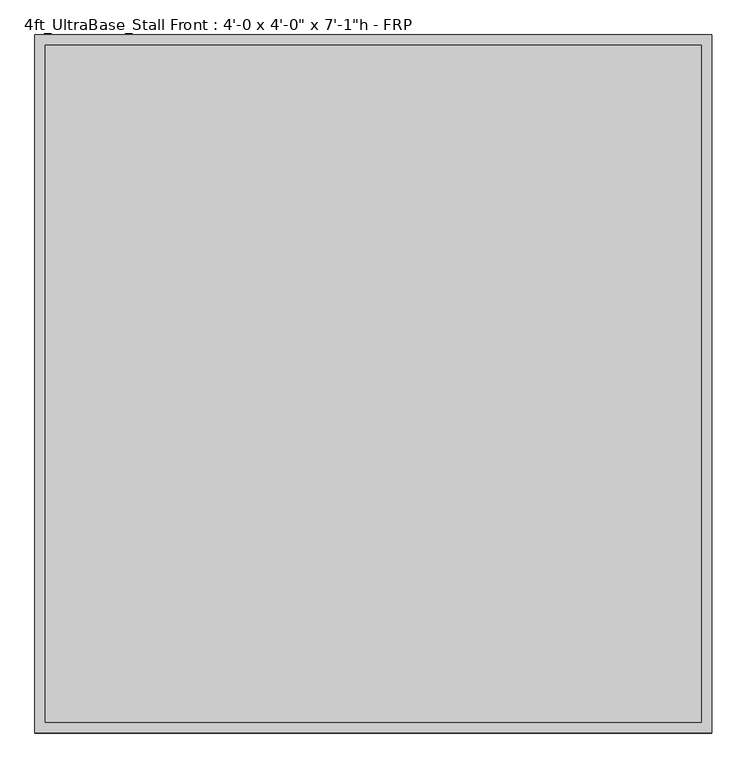
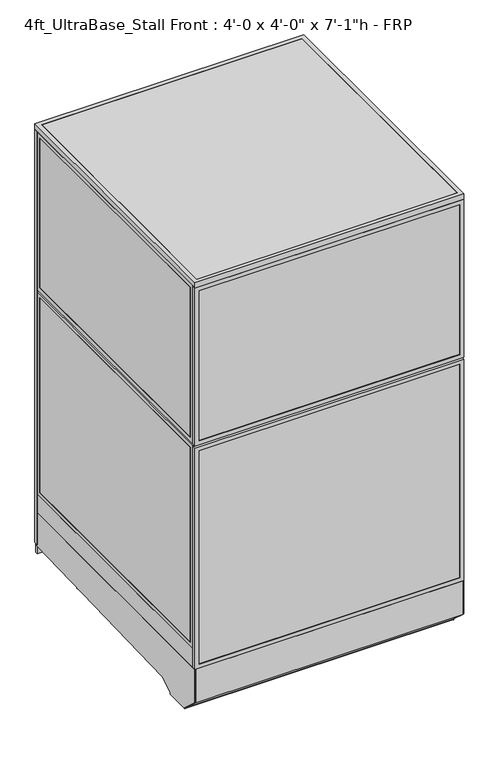
"""IFC4 building model written with IfcOpenShell, lengths in millimetres: proxy geometry."""

from ifc_helpers import new_model, si_unit, point, frame, frame_2d, origin, origin_with_axes, place, context, project, spatial, polyline, circle_curve, trimmed, segment, composite_curve, outline, extrude, source, transform, mapped, element, save


def proxy_fa9dfee9(model_context):
    return source(origin(), model_context, "Body", "SweptSolid", [
        extrude(outline(polyline([(60.3189838, 1236.6625), (854.0810162, 1236.6625), (854.0810162, 1220.7875), (60.3189838, 1220.7875), (60.3189838, 1236.6625)])), frame((0.0, 0.0, 212.725), z_axis=(0.0, 0.0, 1.0), x_axis=(1.0, 0.0, 0.0)), (0.0, 0.0, 1.0), 1860.55),
        extrude(outline(polyline([(193.675, 41.2689838), (193.675, 873.1310162), (2092.325, 873.1310162), (2092.325, 41.2689838), (193.675, 41.2689838)]), holes=[polyline([(2073.275, 854.0810162), (212.725, 854.0810162), (212.725, 60.3189838), (2073.275, 60.3189838), (2073.275, 854.0810162)])]), frame((0.0, 1219.2, 0.0), z_axis=(0.0, 1.0, 0.0), x_axis=(0.0, 0.0, 1.0)), (0.0, 0.0, 1.0), 19.05),
        extrude(outline(polyline([(152.4, 0.0), (152.4, 914.4), (2133.6, 914.4), (2133.6, 0.0), (152.4, 0.0)]), holes=[polyline([(2114.55, 19.05), (2114.55, 895.35), (171.45, 895.35), (171.45, 19.05), (2114.55, 19.05)])]), frame((0.0, 1219.2, 0.0), z_axis=(0.0, 1.0, 0.0), x_axis=(0.0, 0.0, 1.0)), (0.0, 0.0, 1.0), 19.05),
        extrude(outline(polyline([(152.4, 1219.2), (2133.6, 1219.2), (2133.6, 914.4), (152.4, 914.4), (152.4, 1219.2)]), holes=[polyline([(171.45, 1200.15), (171.45, 933.45), (2114.55, 933.45), (2114.55, 1200.15), (171.45, 1200.15)])]), frame((0.0, 1219.2, 0.0), z_axis=(0.0, 1.0, 0.0), x_axis=(0.0, 0.0, 1.0)), (0.0, 0.0, 1.0), 19.05),
        extrude(outline(polyline([(933.45, 1236.6625), (1200.15, 1236.6625), (1200.15, 1220.7875), (933.45, 1220.7875), (933.45, 1236.6625)])), frame((0.0, 0.0, 171.45), z_axis=(0.0, 0.0, 1.0), x_axis=(1.0, 0.0, 0.0)), (0.0, 0.0, 1.0), 1943.1),
        extrude(outline(composite_curve([segment(trimmed(circle_curve(frame_2d((1110.8236459, 1068.0018426)), 38.1), [point((1072.7236459, 1068.0018426))], [point((1148.9236459, 1068.0018426))], False, "CARTESIAN"), True, "CONTINUOUS"), segment(trimmed(circle_curve(frame_2d((1110.8236459, 1068.0018426)), 38.1), [point((1148.9236459, 1068.0018426))], [point((1072.7236459, 1068.0018426))], False, "CARTESIAN"), True, "CONTINUOUS")], self_intersect=False)), frame((0.0, 0.0, 130.9806848), z_axis=(0.0, 0.0, 1.0), x_axis=(1.0, 0.0, 0.0)), (0.0, 0.0, 1.0), 12.9784433),
        extrude(outline(composite_curve([segment(trimmed(circle_curve(frame_2d((1110.8236459, 1068.0018426)), 12.7), [point((1098.1236459, 1068.0018426))], [point((1123.5236459, 1068.0018426))], False, "CARTESIAN"), True, "CONTINUOUS"), segment(trimmed(circle_curve(frame_2d((1110.8236459, 1068.0018426)), 12.7), [point((1123.5236459, 1068.0018426))], [point((1098.1236459, 1068.0018426))], False, "CARTESIAN"), True, "CONTINUOUS")], self_intersect=False)), frame((0.0, 0.0, 6.35), z_axis=(0.0, 0.0, 1.0), x_axis=(1.0, 0.0, 0.0)), (0.0, 0.0, 1.0), 124.6306848),
        extrude(outline(composite_curve([segment(trimmed(circle_curve(frame_2d((1110.8236459, 1068.0018426)), 25.4), [point((1085.4236459, 1068.0018426))], [point((1136.2236459, 1068.0018426))], False, "CARTESIAN"), True, "CONTINUOUS"), segment(trimmed(circle_curve(frame_2d((1110.8236459, 1068.0018426)), 25.4), [point((1136.2236459, 1068.0018426))], [point((1085.4236459, 1068.0018426))], False, "CARTESIAN"), True, "CONTINUOUS")], self_intersect=False)), origin_with_axes(), (0.0, 0.0, 1.0), 6.35),
        extrude(outline(composite_curve([segment(trimmed(circle_curve(frame_2d((120.2236459, 1068.0018426)), 38.1), [point((82.1236459, 1068.0018426))], [point((158.3236459, 1068.0018426))], False, "CARTESIAN"), True, "CONTINUOUS"), segment(trimmed(circle_curve(frame_2d((120.2236459, 1068.0018426)), 38.1), [point((158.3236459, 1068.0018426))], [point((82.1236459, 1068.0018426))], False, "CARTESIAN"), True, "CONTINUOUS")], self_intersect=False)), frame((0.0, 0.0, 130.9806848), z_axis=(0.0, 0.0, 1.0), x_axis=(1.0, 0.0, 0.0)), (0.0, 0.0, 1.0), 12.9784433),
        extrude(outline(composite_curve([segment(trimmed(circle_curve(frame_2d((120.2236459, 1068.0018426)), 12.7), [point((107.5236459, 1068.0018426))], [point((132.9236459, 1068.0018426))], False, "CARTESIAN"), True, "CONTINUOUS"), segment(trimmed(circle_curve(frame_2d((120.2236459, 1068.0018426)), 12.7), [point((132.9236459, 1068.0018426))], [point((107.5236459, 1068.0018426))], False, "CARTESIAN"), True, "CONTINUOUS")], self_intersect=False)), frame((0.0, 0.0, 6.35), z_axis=(0.0, 0.0, 1.0), x_axis=(1.0, 0.0, 0.0)), (0.0, 0.0, 1.0), 124.6306848),
        extrude(outline(composite_curve([segment(trimmed(circle_curve(frame_2d((120.2236459, 1068.0018426)), 25.4), [point((94.8236459, 1068.0018426))], [point((145.6236459, 1068.0018426))], False, "CARTESIAN"), True, "CONTINUOUS"), segment(trimmed(circle_curve(frame_2d((120.2236459, 1068.0018426)), 25.4), [point((145.6236459, 1068.0018426))], [point((94.8236459, 1068.0018426))], False, "CARTESIAN"), True, "CONTINUOUS")], self_intersect=False)), origin_with_axes(), (0.0, 0.0, 1.0), 6.35),
        extrude(outline(composite_curve([segment(trimmed(circle_curve(frame_2d((120.2236459, 331.9496116)), 38.1), [point((82.1236459, 331.9496116))], [point((158.3236459, 331.9496116))], False, "CARTESIAN"), True, "CONTINUOUS"), segment(trimmed(circle_curve(frame_2d((120.2236459, 331.9496116)), 38.1), [point((158.3236459, 331.9496116))], [point((82.1236459, 331.9496116))], False, "CARTESIAN"), True, "CONTINUOUS")], self_intersect=False)), frame((0.0, 0.0, 103.9931848), z_axis=(0.0, 0.0, 1.0), x_axis=(1.0, 0.0, 0.0)), (0.0, 0.0, 1.0), 12.9784433),
        extrude(outline(composite_curve([segment(trimmed(circle_curve(frame_2d((120.2236459, 331.9496116)), 12.7), [point((107.5236459, 331.9496116))], [point((132.9236459, 331.9496116))], False, "CARTESIAN"), True, "CONTINUOUS"), segment(trimmed(circle_curve(frame_2d((120.2236459, 331.9496116)), 12.7), [point((132.9236459, 331.9496116))], [point((107.5236459, 331.9496116))], False, "CARTESIAN"), True, "CONTINUOUS")], self_intersect=False)), frame((0.0, 0.0, 6.35), z_axis=(0.0, 0.0, 1.0), x_axis=(1.0, 0.0, 0.0)), (0.0, 0.0, 1.0), 97.6431848),
        extrude(outline(composite_curve([segment(trimmed(circle_curve(frame_2d((120.2236459, 331.9496116)), 25.4), [point((94.8236459, 331.9496116))], [point((145.6236459, 331.9496116))], False, "CARTESIAN"), True, "CONTINUOUS"), segment(trimmed(circle_curve(frame_2d((120.2236459, 331.9496116)), 25.4), [point((145.6236459, 331.9496116))], [point((94.8236459, 331.9496116))], False, "CARTESIAN"), True, "CONTINUOUS")], self_intersect=False)), origin_with_axes(), (0.0, 0.0, 1.0), 6.35),
        extrude(outline(composite_curve([segment(trimmed(circle_curve(frame_2d((1110.8236459, 331.9496116)), 38.1), [point((1072.7236459, 331.9496116))], [point((1148.9236459, 331.9496116))], False, "CARTESIAN"), True, "CONTINUOUS"), segment(trimmed(circle_curve(frame_2d((1110.8236459, 331.9496116)), 38.1), [point((1148.9236459, 331.9496116))], [point((1072.7236459, 331.9496116))], False, "CARTESIAN"), True, "CONTINUOUS")], self_intersect=False)), frame((0.0, 0.0, 103.9931848), z_axis=(0.0, 0.0, 1.0), x_axis=(1.0, 0.0, 0.0)), (0.0, 0.0, 1.0), 12.9784433),
        extrude(outline(composite_curve([segment(trimmed(circle_curve(frame_2d((1110.8236459, 331.9496116)), 12.7), [point((1098.1236459, 331.9496116))], [point((1123.5236459, 331.9496116))], False, "CARTESIAN"), True, "CONTINUOUS"), segment(trimmed(circle_curve(frame_2d((1110.8236459, 331.9496116)), 12.7), [point((1123.5236459, 331.9496116))], [point((1098.1236459, 331.9496116))], False, "CARTESIAN"), True, "CONTINUOUS")], self_intersect=False)), frame((0.0, 0.0, 6.35), z_axis=(0.0, 0.0, 1.0), x_axis=(1.0, 0.0, 0.0)), (0.0, 0.0, 1.0), 97.6431848),
        extrude(outline(composite_curve([segment(trimmed(circle_curve(frame_2d((1110.8236459, 331.9496116)), 25.4), [point((1085.4236459, 331.9496116))], [point((1136.2236459, 331.9496116))], False, "CARTESIAN"), True, "CONTINUOUS"), segment(trimmed(circle_curve(frame_2d((1110.8236459, 331.9496116)), 25.4), [point((1136.2236459, 331.9496116))], [point((1085.4236459, 331.9496116))], False, "CARTESIAN"), True, "CONTINUOUS")], self_intersect=False)), origin_with_axes(), (0.0, 0.0, 1.0), 6.35),
        extrude(outline(polyline([(-19.05, 304.8), (1225.55, 304.8), (1225.55, 143.3232444), (238.733612, 113.4956461), (175.3928625, 76.9258473), (175.3928625, 69.0977369), (59.8970382, 69.0977369), (59.8970382, 73.3553835), (-19.05, 144.439616), (-19.05, 304.8)])), frame((0.0, 0.0, 0.0), z_axis=(1.0, 0.0, 0.0), x_axis=(0.0, 1.0, 0.0)), (0.0, 0.0, 1.0), 3.175),
        extrude(outline(polyline([(-19.05, 304.8), (1225.55, 304.8), (1225.55, 143.3232444), (238.733612, 113.4956461), (175.3928625, 76.9258473), (175.3928625, 69.0977369), (59.8970382, 69.0977369), (59.8970382, 73.3553835), (-19.05, 144.439616), (-19.05, 304.8)])), frame((1216.025, 0.0, 0.0), z_axis=(1.0, 0.0, 0.0), x_axis=(0.0, 1.0, 0.0)), (0.0, 0.0, 1.0), 3.175),
        extrude(outline(polyline([(1225.55, 104.78262), (1225.55, 144.8342358), (238.733612, 113.4956461), (175.3928625, 76.9258473), (175.3928625, 69.0977369), (59.8970382, 69.0977369), (59.8970382, 73.3553835), (-19.05, 144.439616), (-19.05, 304.8), (-10.9434074, 304.8), (-10.9434074, 236.4996867), (-5.6766373, 236.4996867), (-2.6025146, 148.4683295), (68.18203, 84.7336392), (68.18203, 79.4164869), (167.804636, 79.4164869), (167.804636, 86.088281), (237.0845322, 126.0870477), (1238.25, 157.8890047), (1238.25, 104.78262), (1225.55, 104.78262)])), frame((3.175, 0.0, 0.0), z_axis=(1.0, 0.0, 0.0), x_axis=(0.0, 1.0, 0.0)), (0.0, 0.0, 1.0), 1212.85),
        extrude(outline(polyline([(1366.8375, 1219.2), (1366.8375, 0.0), (304.8, 0.0), (304.8, 1219.2), (1366.8375, 1219.2)]), holes=[polyline([(323.85, 1200.15), (323.85, 19.05), (1347.7875, 19.05), (1347.7875, 1200.15), (323.85, 1200.15)])]), frame((0.0, -19.05, 0.0), z_axis=(0.0, 1.0, 0.0), x_axis=(0.0, 0.0, 1.0)), (0.0, 0.0, 1.0), 19.05),
        extrude(outline(polyline([(1376.3625, 1219.2), (2133.6, 1219.2), (2133.6, 0.0), (1376.3625, 0.0), (1376.3625, 1219.2)]), holes=[polyline([(2114.55, 1200.15), (1395.4125, 1200.15), (1395.4125, 19.05), (2114.55, 19.05), (2114.55, 1200.15)])]), frame((0.0, -19.05, 0.0), z_axis=(0.0, 1.0, 0.0), x_axis=(0.0, 0.0, 1.0)), (0.0, 0.0, 1.0), 19.05),
        extrude(outline(polyline([(1200.15, -17.4625), (19.05, -17.4625), (19.05, -1.5875), (1200.15, -1.5875), (1200.15, -17.4625)])), frame((0.0, 0.0, 323.85), z_axis=(0.0, 0.0, 1.0), x_axis=(1.0, 0.0, 0.0)), (0.0, 0.0, 1.0), 1023.9375),
        extrude(outline(polyline([(1200.15, -17.4625), (19.05, -17.4625), (19.05, -1.5875), (1200.15, -1.5875), (1200.15, -17.4625)])), frame((0.0, 0.0, 1395.4125), z_axis=(0.0, 0.0, 1.0), x_axis=(1.0, 0.0, 0.0)), (0.0, 0.0, 1.0), 719.1375),
        extrude(outline(polyline([(1200.15, 0.0), (1200.15, 1219.2), (1219.2, 1219.2), (1219.2, 0.0), (1200.15, 0.0)])), frame((0.0, 0.0, 304.8), z_axis=(0.0, 0.0, 1.0), x_axis=(1.0, 0.0, 0.0)), (0.0, 0.0, 1.0), 88.9),
        extrude(outline(polyline([(1219.2, 393.7), (0.0, 393.7), (0.0, 1366.8375), (1219.2, 1366.8375), (1219.2, 393.7)]), holes=[polyline([(1200.15, 1347.7875), (19.05, 1347.7875), (19.05, 412.75), (1200.15, 412.75), (1200.15, 1347.7875)])]), frame((1200.15, 0.0, 0.0), z_axis=(1.0, 0.0, 0.0), x_axis=(0.0, 1.0, 0.0)), (0.0, 0.0, 1.0), 19.05),
        extrude(outline(polyline([(0.0, 1376.3625), (0.0, 2133.6), (1219.2, 2133.6), (1219.2, 1376.3625), (0.0, 1376.3625)]), holes=[polyline([(19.05, 2114.55), (19.05, 1395.4125), (1200.15, 1395.4125), (1200.15, 2114.55), (19.05, 2114.55)])]), frame((1200.15, 0.0, 0.0), z_axis=(1.0, 0.0, 0.0), x_axis=(0.0, 1.0, 0.0)), (0.0, 0.0, 1.0), 19.05),
        extrude(outline(polyline([(1201.7375, 19.05), (1201.7375, 1200.15), (1217.6125, 1200.15), (1217.6125, 19.05), (1201.7375, 19.05)])), frame((0.0, 0.0, 412.75), z_axis=(0.0, 0.0, 1.0), x_axis=(1.0, 0.0, 0.0)), (0.0, 0.0, 1.0), 935.0375),
        extrude(outline(polyline([(1201.7375, 19.05), (1201.7375, 1200.15), (1217.6125, 1200.15), (1217.6125, 19.05), (1201.7375, 19.05)])), frame((0.0, 0.0, 1395.4125), z_axis=(0.0, 0.0, 1.0), x_axis=(1.0, 0.0, 0.0)), (0.0, 0.0, 1.0), 719.1375),
        extrude(outline(polyline([(0.0, 0.0), (0.0, 1219.2), (19.05, 1219.2), (19.05, 0.0), (0.0, 0.0)])), frame((0.0, 0.0, 304.8), z_axis=(0.0, 0.0, 1.0), x_axis=(1.0, 0.0, 0.0)), (0.0, 0.0, 1.0), 88.9),
        extrude(outline(polyline([(1219.2, 393.7), (0.0, 393.7), (0.0, 1366.8375), (1219.2, 1366.8375), (1219.2, 393.7)]), holes=[polyline([(1200.15, 1347.7875), (19.05, 1347.7875), (19.05, 412.75), (1200.15, 412.75), (1200.15, 1347.7875)])]), frame((0.0, 0.0, 0.0), z_axis=(1.0, 0.0, 0.0), x_axis=(0.0, 1.0, 0.0)), (0.0, 0.0, 1.0), 19.05),
        extrude(outline(polyline([(0.0, 1376.3625), (0.0, 2133.6), (1219.2, 2133.6), (1219.2, 1376.3625), (0.0, 1376.3625)]), holes=[polyline([(19.05, 2114.55), (19.05, 1395.4125), (1200.15, 1395.4125), (1200.15, 2114.55), (19.05, 2114.55)])]), frame((0.0, 0.0, 0.0), z_axis=(1.0, 0.0, 0.0), x_axis=(0.0, 1.0, 0.0)), (0.0, 0.0, 1.0), 19.05),
        extrude(outline(polyline([(1.5875, 19.05), (1.5875, 1200.15), (17.4625, 1200.15), (17.4625, 19.05), (1.5875, 19.05)])), frame((0.0, 0.0, 412.75), z_axis=(0.0, 0.0, 1.0), x_axis=(1.0, 0.0, 0.0)), (0.0, 0.0, 1.0), 935.0375),
        extrude(outline(polyline([(1.5875, 19.05), (1.5875, 1200.15), (17.4625, 1200.15), (17.4625, 19.05), (1.5875, 19.05)])), frame((0.0, 0.0, 1395.4125), z_axis=(0.0, 0.0, 1.0), x_axis=(1.0, 0.0, 0.0)), (0.0, 0.0, 1.0), 719.1375),
        extrude(outline(polyline([(1187.45, 622.3), (1187.45, 609.6), (31.75, 609.6), (31.75, 622.3), (1187.45, 622.3)])), frame((0.0, 0.0, 152.4), z_axis=(0.0, 0.0, 1.0), x_axis=(1.0, 0.0, 0.0)), (0.0, 0.0, 1.0), 152.4),
        extrude(outline(polyline([(1187.45, 622.3), (1187.45, 12.7), (31.75, 12.7), (31.75, 622.3), (1187.45, 622.3)])), frame((0.0, 0.0, 304.8), z_axis=(0.0, 0.0, 1.0), x_axis=(1.0, 0.0, 0.0)), (0.0, 0.0, 1.0), 12.7),
        extrude(outline(polyline([(1219.2, 1238.25), (1219.2, -19.05), (0.0, -19.05), (0.0, 1238.25), (1219.2, 1238.25)]), holes=[polyline([(1200.15, 1219.2), (19.05, 1219.2), (19.05, 0.0), (1200.15, 0.0), (1200.15, 1219.2)])]), frame((0.0, 0.0, 2133.6), z_axis=(0.0, 0.0, 1.0), x_axis=(1.0, 0.0, 0.0)), (0.0, 0.0, 1.0), 25.4),
        extrude(outline(polyline([(19.05, 1219.2), (1200.15, 1219.2), (1200.15, 0.0), (19.05, 0.0), (19.05, 1219.2)])), frame((0.0, 0.0, 2133.6), z_axis=(0.0, 0.0, 1.0), x_axis=(1.0, 0.0, 0.0)), (0.0, 0.0, 1.0), 25.4),
    ])


if __name__ == "__main__":
    model = new_model("IFC4")
    model_context = context("Model", 3, world=origin())
    ifc_project = project(units=[si_unit("LENGTHUNIT", "METRE", prefix="MILLI")], contexts=[model_context])
    site = spatial("IfcSite", under=ifc_project)
    building = spatial("IfcBuilding", under=site)
    placement = place(None, origin())
    proxy_shape = proxy_fa9dfee9(model_context)
    element("IfcBuildingElementProxy", 1, Name="4ft_UltraBase_Stall Front : 4'-0 x 4'-0\" x 7'-1\"h - FRP", ObjectType="4ft_UltraBase_Stall Front : 4'-0 x 4'-0\" x 7'-1\"h - FRP", at=placement, inside=building, context=model_context, shape_type="MappedRepresentation", body=[
        mapped(proxy_shape, transform((0.0, 0.0, 0.0), x_axis=(1.0, 0.0, 0.0), y_axis=(0.0, 1.0, 0.0), z_axis=(0.0, 0.0, 1.0))),
    ])
    save(model, "model.ifc")
